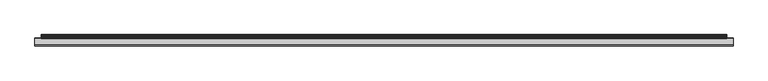
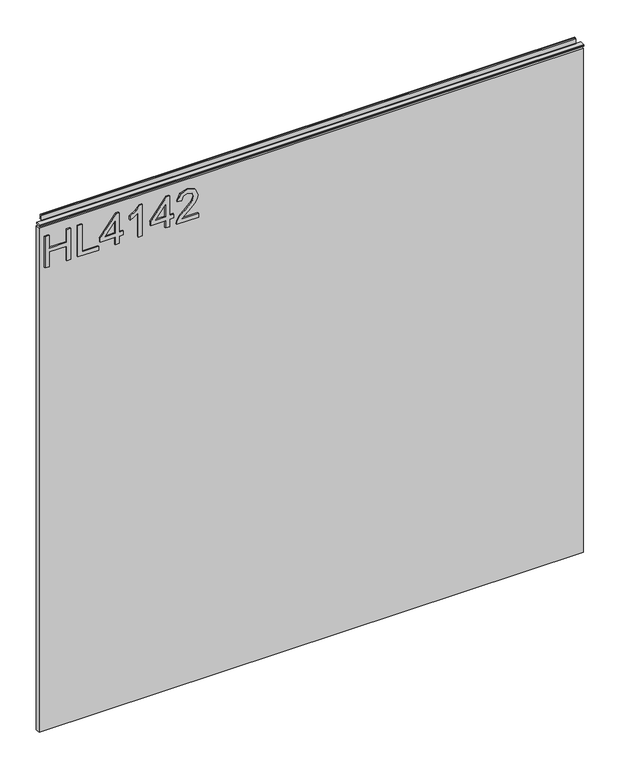
"""IFC4 building model written with IfcOpenShell, lengths in millimetres: furniture geometry."""

from ifc_helpers import new_model, si_unit, frame, origin, place, context, project, spatial, polyline, outline, extrude, source, transform, mapped, element, save


def furniture_7b8459c7(model_context):
    return source(origin(), model_context, "Body", "SweptSolid", [
        extrude(outline(polyline([(1053.0078, -288.5795281), (1053.0078, -280.6058085), (1082.9092486, -280.6058085), (1082.9092486, -246.7175001), (1053.0078, -246.7175001), (1053.0078, -238.7437805), (1116.7975569, -238.7437805), (1116.7975569, -246.7175001), (1090.8829682, -246.7175001), (1090.8829682, -280.6058085), (1116.7975569, -280.6058085), (1116.7975569, -288.5795281), (1053.0078, -288.5795281)])), frame((0.0, -5.6037602, 0.0), z_axis=(0.0, 1.0, 0.0), x_axis=(0.0, 0.0, 1.0)), (0.0, 0.0, 1.0), 2.38125),
        extrude(outline(polyline([(1053.0078, -224.7897712), (1053.0078, -184.9211731), (1060.9815196, -184.9211731), (1060.9815196, -216.8160515), (1116.7975569, -216.8160515), (1116.7975569, -224.7897712), (1053.0078, -224.7897712)])), frame((0.0, -5.6037602, 0.0), z_axis=(0.0, 1.0, 0.0), x_axis=(0.0, 0.0, 1.0)), (0.0, 0.0, 1.0), 2.38125),
        extrude(outline(polyline([(1053.0078, -153.0262946), (1053.0078, -145.052575), (1067.9585243, -145.052575), (1067.9585243, -137.0788554), (1075.9322439, -137.0788554), (1075.9322439, -145.052575), (1115.800842, -145.052575), (1115.800842, -151.0328647), (1075.9322439, -181.9310282), (1067.9585243, -181.9310282), (1067.9585243, -153.0262946), (1053.0078, -153.0262946)]), holes=[polyline([(1075.9322439, -153.0262946), (1075.9322439, -172.1196154), (1100.5697916, -153.0262946), (1075.9322439, -153.0262946)])]), frame((0.0, -5.6037602, 0.0), z_axis=(0.0, 1.0, 0.0), x_axis=(0.0, 0.0, 1.0)), (0.0, 0.0, 1.0), 2.38125),
        extrude(outline(polyline([(1053.0078, -100.2004021), (1116.7975569, -100.2004021), (1116.7975569, -105.3397136), (1108.3099062, -112.4335208), (1100.8501177, -124.121561), (1093.3124609, -124.121561), (1097.3382549, -115.7273522), (1102.7189582, -108.1741217), (1053.0078, -108.1741217), (1053.0078, -100.2004021)])), frame((0.0, -5.6037602, 0.0), z_axis=(0.0, 1.0, 0.0), x_axis=(0.0, 0.0, 1.0)), (0.0, 0.0, 1.0), 2.38125),
        extrude(outline(polyline([(1053.0078, -55.3482293), (1053.0078, -47.3745096), (1067.9585243, -47.3745096), (1067.9585243, -39.40079), (1075.9322439, -39.40079), (1075.9322439, -47.3745096), (1115.800842, -47.3745096), (1115.800842, -53.3547994), (1075.9322439, -84.2529629), (1067.9585243, -84.2529629), (1067.9585243, -55.3482293), (1053.0078, -55.3482293)]), holes=[polyline([(1075.9322439, -55.3482293), (1075.9322439, -74.4415501), (1100.5697916, -55.3482293), (1075.9322439, -55.3482293)])]), frame((0.0, -5.6037602, 0.0), z_axis=(0.0, 1.0, 0.0), x_axis=(0.0, 0.0, 1.0)), (0.0, 0.0, 1.0), 2.38125),
        extrude(outline(polyline([(1060.9815196, 8.4415277), (1060.9815196, -22.877125), (1065.0384609, -19.2796069), (1072.708494, -10.1067146), (1083.6334243, 1.3165731), (1091.4514072, 6.0276087), (1099.0124245, 7.4448127), (1111.6893928, 2.1886987), (1116.7975569, -12.0845709), (1112.203324, -26.3111194), (1098.8566878, -32.4237854), (1097.8599729, -24.4500657), (1105.9115608, -21.0939396), (1108.8238373, -12.2558813), (1105.8414793, -3.7760173), (1098.5296407, -0.5289069), (1089.4969115, -3.9706882), (1076.21257, -17.7378135), (1066.9695962, -27.7205367), (1058.5053059, -32.5639484), (1053.0078, -33.4205003), (1053.0078, 8.4415277), (1060.9815196, 8.4415277)])), frame((0.0, -5.6037602, 0.0), z_axis=(0.0, 1.0, 0.0), x_axis=(0.0, 0.0, 1.0)), (0.0, 0.0, 1.0), 2.38125),
        extrude(outline(polyline([(5.5562561, 1143.0), (6.3500061, 1143.0), (6.3500061, 1152.87425), (7.1437561, 1153.668), (8.6677569, 1153.668), (10.0084363, 1153.2506926), (10.875413, 1152.1461816), (10.9623604, 1150.7447591), (10.2390011, 1147.7863459), (10.4046103, 1146.5833307), (11.6746103, 1144.3836103), (10.7786383, 1143.8663244), (7.1437561, 1143.8663244), (7.1437561, 1143.0), (6.3500061, 1142.7669239), (6.3500061, 1135.5578), (5.5562561, 1135.5578), (5.5562561, 1143.0)])), frame((-288.671, 0.0, 0.0), z_axis=(1.0, 0.0, 0.0), x_axis=(0.0, 1.0, 0.0)), (0.0, 0.0, 1.0), 1034.542),
        extrude(outline(polyline([(5.5562561, 1143.0), (5.5562561, 1139.8249996), (-3.975094, 1139.8249996), (-5.3492339, 1140.6183657), (-5.3492339, 1142.2066395), (-3.9751037, 1143.0), (5.5562561, 1143.0)])), frame((-298.196, 0.0, 0.0), z_axis=(1.0, 0.0, 0.0), x_axis=(0.0, 1.0, 0.0)), (0.0, 0.0, 1.0), 1053.592),
        extrude(outline(polyline([(755.396, 6.3500061), (755.396, -3.1749939), (-298.196, -3.1749939), (-298.196, 6.3500061), (755.396, 6.3500061)])), frame((0.0, 0.0, 104.69626), z_axis=(0.0, 0.0, 1.0), x_axis=(1.0, 0.0, 0.0)), (0.0, 0.0, 1.0), 1030.86154),
    ])


if __name__ == "__main__":
    model = new_model("IFC4")
    model_context = context("Model", 3, world=origin())
    ifc_project = project(units=[si_unit("LENGTHUNIT", "METRE", prefix="MILLI")], contexts=[model_context])
    site = spatial("IfcSite", under=ifc_project)
    building = spatial("IfcBuilding", under=site)
    placement = place(None, origin())
    furniture_shape = furniture_7b8459c7(model_context)
    element("IfcFurniture", 1, at=placement, inside=building, context=model_context, shape_type="MappedRepresentation", body=[
        mapped(furniture_shape, transform((0.0, 0.0, 0.0), x_axis=(1.0, 0.0, 0.0), y_axis=(0.0, 1.0, 0.0), z_axis=(0.0, 0.0, 1.0))),
    ])
    save(model, "model.ifc")
